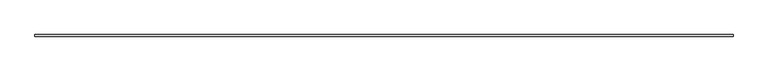
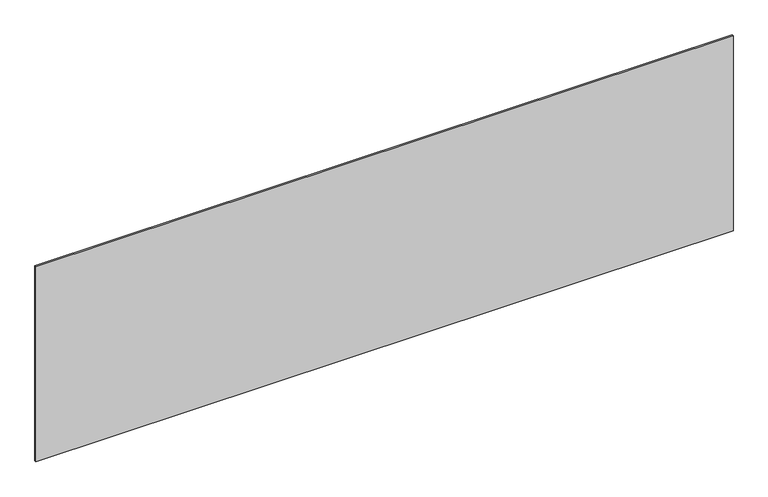
"""IFC4 building model written with IfcOpenShell, lengths in millimetres: plate geometry."""

from ifc_helpers import new_model, si_unit, origin, origin_with_axes, place, context, project, spatial, polyline, outline, extrude, source, transform, mapped, element, save


def plate_38275fb2(model_context):
    return source(origin(), model_context, "Body", "SweptSolid", [
        extrude(outline(polyline([(2189.1666667, -5.0), (-2189.1666667, -5.0), (-2189.1666667, 5.0), (2189.1666667, 5.0), (2189.1666667, -5.0)])), origin_with_axes(), (0.0, 0.0, 1.0), 1294.4008047),
    ])


if __name__ == "__main__":
    model = new_model("IFC4")
    model_context = context("Model", 3, world=origin())
    ifc_project = project(units=[si_unit("LENGTHUNIT", "METRE", prefix="MILLI")], contexts=[model_context])
    site = spatial("IfcSite", under=ifc_project)
    building = spatial("IfcBuilding", under=site)
    placement = place(None, origin())
    plate_shape = plate_38275fb2(model_context)
    element("IfcPlate", 1, at=placement, inside=building, context=model_context, shape_type="MappedRepresentation", body=[
        mapped(plate_shape, transform((0.0, 0.0, 0.0), x_axis=(1.0, 0.0, 0.0), y_axis=(0.0, 1.0, 0.0), z_axis=(0.0, 0.0, 1.0))),
    ])
    save(model, "model.ifc")
